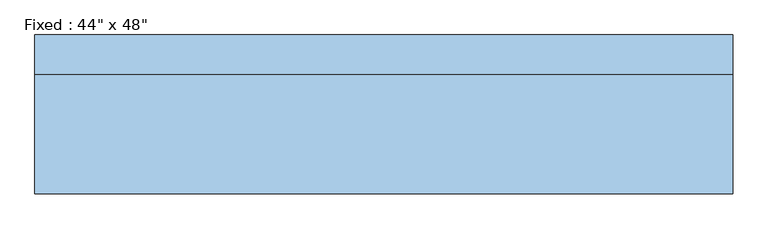
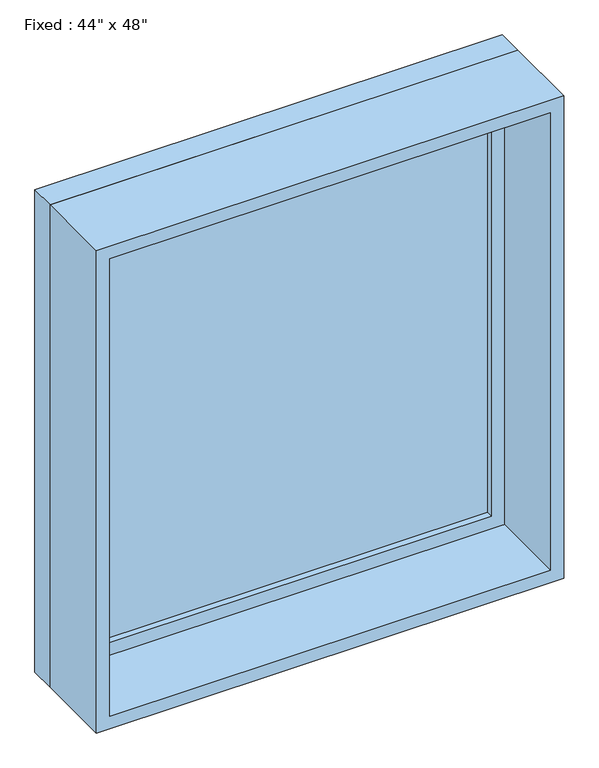
"""IFC4 building model written with IfcOpenShell, lengths in millimetres: window geometry."""

from ifc_helpers import new_model, si_unit, frame, origin, place, context, project, spatial, polyline, outline, extrude, source, transform, mapped, element, save


def window_ef7b8f64(model_context):
    return source(origin(), model_context, "Body", "SweptSolid", [
        extrude(outline(polyline([(457.2, 79.375), (-533.4, 79.375), (-533.4, 92.075), (457.2, 92.075), (457.2, 79.375)])), frame((0.0, 0.0, 368.3), z_axis=(0.0, 0.0, 1.0), x_axis=(1.0, 0.0, 0.0)), (0.0, 0.0, 1.0), 1092.2),
        extrude(outline(polyline([(1504.95, -577.85), (323.85, -577.85), (323.85, 501.65), (1504.95, 501.65), (1504.95, -577.85)]), holes=[polyline([(1460.5, -533.4), (1460.5, 457.2), (368.3, 457.2), (368.3, -533.4), (1460.5, -533.4)])]), frame((0.0, 63.5, 0.0), z_axis=(0.0, 1.0, 0.0), x_axis=(0.0, 0.0, 1.0)), (0.0, 0.0, 1.0), 44.45),
        extrude(outline(polyline([(1524.0, -596.9), (304.8, -596.9), (304.8, 520.7), (1524.0, 520.7), (1524.0, -596.9)]), holes=[polyline([(1492.25, -565.15), (1492.25, 488.95), (336.55, 488.95), (336.55, -565.15), (1492.25, -565.15)])]), frame((0.0, -127.0, 0.0), z_axis=(0.0, 1.0, 0.0), x_axis=(0.0, 0.0, 1.0)), (0.0, 0.0, 1.0), 190.5),
        extrude(outline(polyline([(1524.0, 520.7), (1524.0, -596.9), (304.8, -596.9), (304.8, 520.7), (1524.0, 520.7)]), holes=[polyline([(1504.95, 501.65), (323.85, 501.65), (323.85, -577.85), (1504.95, -577.85), (1504.95, 501.65)])]), frame((0.0, 63.5, 0.0), z_axis=(0.0, 1.0, 0.0), x_axis=(0.0, 0.0, 1.0)), (0.0, 0.0, 1.0), 63.5),
    ])


if __name__ == "__main__":
    model = new_model("IFC4")
    model_context = context("Model", 3, world=origin())
    ifc_project = project(units=[si_unit("LENGTHUNIT", "METRE", prefix="MILLI")], contexts=[model_context])
    site = spatial("IfcSite", under=ifc_project)
    building = spatial("IfcBuilding", under=site)
    placement = place(None, origin())
    window_shape = window_ef7b8f64(model_context)
    element("IfcWindow", 1, ObjectType="Fixed : 44\" x 48\"", at=placement, inside=building, context=model_context, shape_type="MappedRepresentation", body=[
        mapped(window_shape, transform((0.0, 0.0, 0.0), x_axis=(1.0, 0.0, 0.0), y_axis=(0.0, 1.0, 0.0), z_axis=(0.0, 0.0, 1.0))),
    ])
    save(model, "model.ifc")
